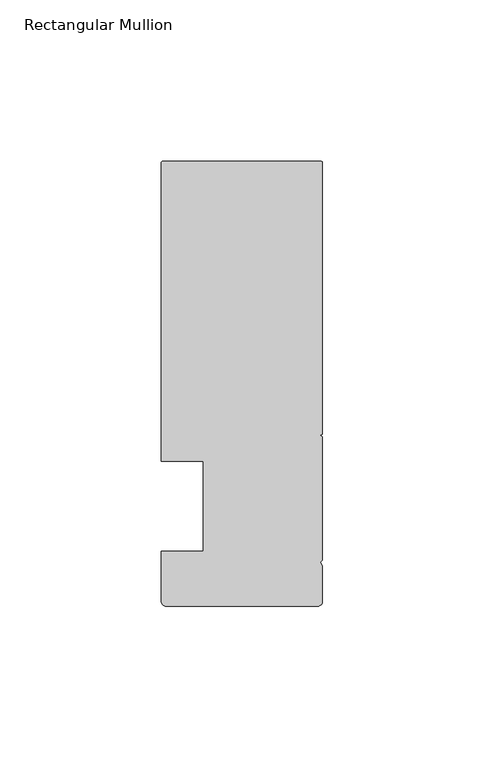
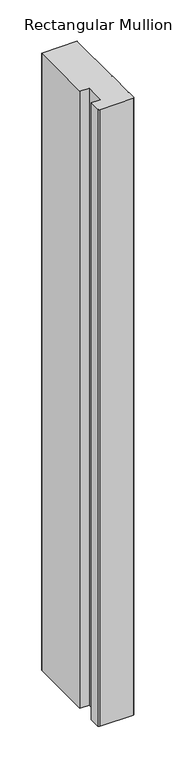
"""IFC4 building model written with IfcOpenShell, lengths in millimetres: member geometry, Rectangular Mullion."""

import ifcopenshell
import ifcopenshell.guid

model = None  # the IFC model being written
_history = None  # IfcOwnerHistory: only IFC2X3 demands one
_inside = {}  # id of a spatial element -> (the spatial element, [elements in it])
_under = {}  # id of a project, library or spatial element -> (it, [spatial elements below it])
_declared = {}  # id of a project -> (the project, [libraries it declares])
_typed = {}  # id of a type object -> (the type object, [elements of that type])
_made_of = {}  # id of a material, layer set ... -> (it, [elements and type objects made of it])


def new_model(schema):
    """Start an empty IFC model of exactly this schema.

    Asked for "IFC4X3", IfcOpenShell would pick the latest addendum, in which some entities
    have other attributes; the version numbers below select the first issue.
    IFC2X3 requires an IfcOwnerHistory on every rooted entity: one is made here for all.
    """
    global model, _history
    if schema == "IFC4X3":
        model = ifcopenshell.file(schema_version=(4, 3, 0, 0))
    else:
        model = ifcopenshell.file(schema=schema)
    _inside.clear()
    _under.clear()
    _declared.clear()
    _typed.clear()
    _made_of.clear()
    _history = None
    if model.schema == "IFC2X3":
        org = make("IfcOrganization", Name="unknown")
        user = make(
            "IfcPersonAndOrganization",
            ThePerson=make("IfcPerson", FamilyName="unknown"),
            TheOrganization=org,
        )
        app = make(
            "IfcApplication",
            ApplicationDeveloper=org,
            Version="unknown",
            ApplicationFullName="unknown",
            ApplicationIdentifier="unknown",
        )
        _history = make(
            "IfcOwnerHistory",
            OwningUser=user,
            OwningApplication=app,
            ChangeAction="ADDED",
            CreationDate=0,
        )
    return model


def make(cls, **values):
    """One entity of the class cls with the attributes given. An attribute that is None is left unset."""
    return model.create_entity(
        cls, **{name: value for name, value in values.items() if value is not None}
    )


def rooted(cls, **values):
    """An entity with a GlobalId (a new one), such as an element, a storey or a relation."""
    return make(cls, GlobalId=ifcopenshell.guid.new(), OwnerHistory=_history, **values)


def si_unit(unit_type, name, prefix=None):
    """IfcSIUnit, for example si_unit("LENGTHUNIT", "METRE", prefix="MILLI")."""
    return make("IfcSIUnit", UnitType=unit_type, Prefix=prefix, Name=name)


def assignment(units):
    """IfcUnitAssignment: the units of a project."""
    return None if units is None else make("IfcUnitAssignment", Units=units)


def point(xyz):
    """IfcCartesianPoint."""
    return None if xyz is None else make("IfcCartesianPoint", Coordinates=xyz)


def direction(xyz):
    """IfcDirection."""
    return None if xyz is None else make("IfcDirection", DirectionRatios=xyz)


def frame(location, z_axis=None, x_axis=None):
    """IfcAxis2Placement3D, a coordinate frame: its origin and axes. An axis left out is left unset."""
    return make(
        "IfcAxis2Placement3D",
        Location=point(location),
        Axis=direction(z_axis),
        RefDirection=direction(x_axis),
    )


def frame_2d(location, x_axis=None):
    """IfcAxis2Placement2D, a coordinate frame in the plane: its origin and x axis."""
    return make(
        "IfcAxis2Placement2D", Location=point(location), RefDirection=direction(x_axis)
    )


def origin():
    """The frame at (0, 0, 0) with its axes left unset."""
    return frame((0.0, 0.0, 0.0))


def place(relative_to, where):
    """IfcLocalPlacement: puts the frame where relative to a parent placement (None: the world)."""
    return make(
        "IfcLocalPlacement", PlacementRelTo=relative_to, RelativePlacement=where
    )


def context(
    kind, dimensions, precision=None, world=None, true_north=None, identifier=None
):
    """IfcGeometricRepresentationContext, for example the 3D "Model" context."""
    return make(
        "IfcGeometricRepresentationContext",
        ContextIdentifier=identifier,
        ContextType=kind,
        CoordinateSpaceDimension=dimensions,
        Precision=precision,
        WorldCoordinateSystem=world,
        TrueNorth=true_north,
    )


def project(units=None, contexts=None):
    """IfcProject with its units and contexts."""
    return rooted(
        "IfcProject",
        Name="project",
        RepresentationContexts=contexts,
        UnitsInContext=assignment(units),
    )


def spatial(cls, under=None, at=None, **own):
    """A site, building, storey or space (cls), placed at a placement, below another one or the project."""
    s = rooted(cls, ObjectPlacement=at, **own)
    if under is not None:
        _under.setdefault(under.id(), (under, []))[1].append(s)
    return s


def polyline(points):
    """IfcPolyline through the points."""
    return make("IfcPolyline", Points=[point(p) for p in points])


def circle_curve(where, radius):
    """IfcCircle in the frame where."""
    return make("IfcCircle", Position=where, Radius=radius)


def trimmed(basis, trim1, trim2, sense, master):
    """IfcTrimmedCurve: the piece of a basis curve between two trims."""
    return make(
        "IfcTrimmedCurve",
        BasisCurve=basis,
        Trim1=trim1,
        Trim2=trim2,
        SenseAgreement=sense,
        MasterRepresentation=master,
    )


def segment(curve, same_sense, transition):
    """IfcCompositeCurveSegment."""
    return make(
        "IfcCompositeCurveSegment",
        Transition=transition,
        SameSense=same_sense,
        ParentCurve=curve,
    )


def composite_curve(segments, self_intersect=None):
    """IfcCompositeCurve: segments joined end to end."""
    return make("IfcCompositeCurve", Segments=segments, SelfIntersect=self_intersect)


def outline(outer, holes=None, kind="AREA"):
    """IfcArbitraryClosedProfileDef: a profile drawn as a closed curve; with holes, ...WithVoids."""
    if holes is None:
        return make("IfcArbitraryClosedProfileDef", ProfileType=kind, OuterCurve=outer)
    return make(
        "IfcArbitraryProfileDefWithVoids",
        ProfileType=kind,
        OuterCurve=outer,
        InnerCurves=holes,
    )


def extrude(swept, where, along, depth):
    """IfcExtrudedAreaSolid: the profile swept, set in the frame where, extruded along a direction by depth."""
    return make(
        "IfcExtrudedAreaSolid",
        SweptArea=swept,
        Position=where,
        ExtrudedDirection=direction(along),
        Depth=depth,
    )


def shape(context_of_items, identifier, shape_type, items):
    """IfcShapeRepresentation: the items that make up one representation, for example the "Body"."""
    return make(
        "IfcShapeRepresentation",
        ContextOfItems=context_of_items,
        RepresentationIdentifier=identifier,
        RepresentationType=shape_type,
        Items=items,
    )


def source(mapping_origin, context_of_items, identifier, shape_type, items):
    """IfcRepresentationMap: a shape defined once, which mapped items show again and again."""
    return make(
        "IfcRepresentationMap",
        MappingOrigin=mapping_origin,
        MappedRepresentation=shape(context_of_items, identifier, shape_type, items),
    )


def transform(
    local_origin,
    x_axis=None,
    y_axis=None,
    z_axis=None,
    scale=None,
    scale2=None,
    scale3=None,
    uniform=True,
):
    """IfcCartesianTransformationOperator3D, or its non-uniform kind. x_axis, y_axis, z_axis: its Axis1, 2, 3."""
    if uniform:
        return make(
            "IfcCartesianTransformationOperator3D",
            Axis1=direction(x_axis),
            Axis2=direction(y_axis),
            LocalOrigin=point(local_origin),
            Scale=scale,
            Axis3=direction(z_axis),
        )
    return make(
        "IfcCartesianTransformationOperator3DnonUniform",
        Axis1=direction(x_axis),
        Axis2=direction(y_axis),
        LocalOrigin=point(local_origin),
        Scale=scale,
        Axis3=direction(z_axis),
        Scale2=scale2,
        Scale3=scale3,
    )


def mapped(mapping_source, mapping_target):
    """IfcMappedItem: shows the shape of a source again, moved by a transform."""
    return make(
        "IfcMappedItem", MappingSource=mapping_source, MappingTarget=mapping_target
    )


def made_of(thing, what):
    """Note that an element or type object is made of a material, layer set ...; save() writes the relation."""
    if what is not None:
        _made_of.setdefault(what.id(), (what, []))[1].append(thing)
    return thing


def element(
    cls,
    number,
    at=None,
    inside=None,
    cuts=None,
    type_object=None,
    material=None,
    context=None,
    identifier="Body",
    shape_type=None,
    held_by="IfcProductDefinitionShape",
    body=None,
    shapes=None,
    **own,
):
    """One element of the class cls, such as IfcWall. Its Tag is "e" and its number.

    at: its placement. inside: the storey or other place that contains it. cuts: it is an
    opening in that element (IfcRelVoidsElement). A single representation is given by context,
    identifier, shape_type and body (its items); several are given by shapes. held_by: the class
    of the entity that holds the representations. save() writes the other relations.
    """
    e = rooted(cls, Tag="e%d" % number, ObjectPlacement=at, **own)
    if body is not None:
        shapes = [shape(context, identifier, shape_type, body)]
    if shapes is not None:
        e.Representation = make(held_by, Representations=shapes)
    if inside is not None:
        _inside.setdefault(inside.id(), (inside, []))[1].append(e)
    if cuts is not None:
        rooted(
            "IfcRelVoidsElement", RelatingBuildingElement=cuts, RelatedOpeningElement=e
        )
    if type_object is not None:
        _typed.setdefault(type_object.id(), (type_object, []))[1].append(e)
    return made_of(e, material)


def aggregate(whole, parts):
    """IfcRelAggregates: a whole, such as a stair, and the parts it consists of."""
    return rooted("IfcRelAggregates", RelatingObject=whole, RelatedObjects=parts)


def save(model, path):
    """Write the relations noted so far, then the file.

    IfcRelAggregates (storeys below a building ...), IfcRelContainedInSpatialStructure (elements
    in a storey), IfcRelDefinesByType, IfcRelAssociatesMaterial and IfcRelDeclares: one each for
    every whole, place, type object, material and project.
    """
    for whole, parts in _under.values():
        aggregate(whole, parts)
    for where, things in _inside.values():
        rooted(
            "IfcRelContainedInSpatialStructure",
            RelatedElements=things,
            RelatingStructure=where,
        )
    for kind, things in _typed.values():
        rooted("IfcRelDefinesByType", RelatedObjects=things, RelatingType=kind)
    for what, things in _made_of.values():
        rooted("IfcRelAssociatesMaterial", RelatedObjects=things, RelatingMaterial=what)
    for by, libraries in _declared.values():
        rooted("IfcRelDeclares", RelatingContext=by, RelatedDefinitions=libraries)
    model.write(path)


def rectangular_mullion_379daca4(model_context):
    return source(origin(), model_context, "Body", "SweptSolid", [
        extrude(outline(composite_curve([segment(trimmed(circle_curve(frame_2d((-49.5, 106.500001)), 0.5), [point((-50.0, 106.500001))], [point((-49.5, 107.000001))], False, "CARTESIAN"), True, "CONTINUOUS"), segment(polyline([(-49.5, 107.000001), (-0.5, 107.000001)]), True, "CONTINUOUS"), segment(trimmed(circle_curve(frame_2d((-0.5, 106.500001)), 0.5), [point((-0.5, 107.000001))], [point((0.0, 106.500001))], False, "CARTESIAN"), True, "CONTINUOUS"), segment(polyline([(0.0, 106.500001), (0.0, 22.4015984), (-0.695587, 22.000001), (0.0, 21.5984037), (0.0, -16.700633), (-0.6643165, -17.3649495), (0.0, -18.5155795), (0.0, -29.499999)]), True, "CONTINUOUS"), segment(trimmed(circle_curve(frame_2d((-1.5, -29.499999)), 1.5), [point((0.0, -29.499999))], [point((-1.5, -30.999999))], False, "CARTESIAN"), True, "CONTINUOUS"), segment(polyline([(-1.5, -30.999999), (-48.5, -30.999999)]), True, "CONTINUOUS"), segment(trimmed(circle_curve(frame_2d((-48.5, -29.499999)), 1.5), [point((-48.5, -30.999999))], [point((-50.0, -29.499999))], False, "CARTESIAN"), True, "CONTINUOUS"), segment(polyline([(-50.0, -29.499999), (-50.0, -14.0), (-36.9999999, -14.0), (-36.9999999, 14.0), (-50.0, 14.0), (-50.0, 106.500001)]), True, "CONTINUOUS")], self_intersect=False)), frame((0.0, 0.0, -909.5880982), z_axis=(0.0, 0.0, 1.0), x_axis=(1.0, 0.0, 0.0)), (0.0, 0.0, 1.0), 909.5880982),
    ])


if __name__ == "__main__":
    model = new_model("IFC4")
    model_context = context("Model", 3, world=origin())
    ifc_project = project(units=[si_unit("LENGTHUNIT", "METRE", prefix="MILLI")], contexts=[model_context])
    site = spatial("IfcSite", under=ifc_project)
    building = spatial("IfcBuilding", under=site)
    placement = place(None, origin())
    rectangular_mullion_shape = rectangular_mullion_379daca4(model_context)
    element("IfcMember", 1, ObjectType="Rectangular Mullion", at=placement, inside=building, context=model_context, shape_type="MappedRepresentation", body=[
        mapped(rectangular_mullion_shape, transform((0.0, 0.0, 0.0), x_axis=(1.0, 0.0, 0.0), y_axis=(0.0, 1.0, 0.0), z_axis=(0.0, 0.0, 1.0))),
    ])
    save(model, "model.ifc")
